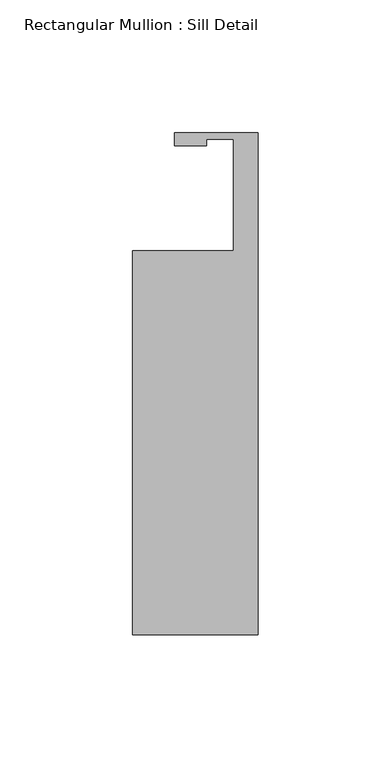
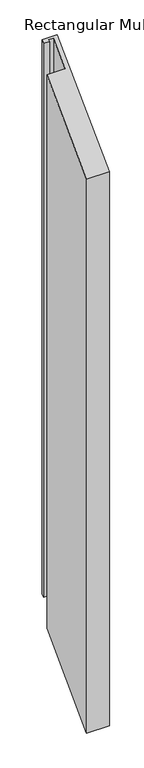
"""IFC4 building model written with IfcOpenShell, lengths in millimetres: member geometry, Rectangular Mullion : Sill Detail."""

from ifc_helpers import new_model, si_unit, origin, place, context, project, spatial, faceted_brep, source, transform, mapped, element, save


def rectangular_mullion_sill_detail_5fd4e4be(model_context):
    return source(origin(), model_context, "Body", "Brep", [
        faceted_brep([(0.0, 25.3938484, 23.8063484), (0.0, -163.9062, -165.4937), (0.0, -163.9062, -1394.6860164), (0.0, 25.3938484, -1205.385968), (-31.548507, 25.3938484, 23.8063484), (-31.548507, 25.3938484, -1205.385968), (-31.548507, 20.5040579, 18.9165579), (-31.548507, 20.5040579, -1210.2757584), (-19.4611625, 20.5040579, 18.9165579), (-19.4611625, 20.5040579, -1210.2757584), (-19.4611625, 22.86, 21.2725), (-19.4611625, 22.86, -1207.9198164), (-9.3265625, 22.86, 21.2725), (-9.3265625, 22.86, -1207.9198164), (-9.3265625, -19.05, -20.6375), (-9.3265625, -19.05, -1249.8298164), (-47.4265625, -19.05, -20.6375), (-47.4265625, -19.05, -1249.8298164), (-47.4265625, -163.9062, -165.4937), (-47.4265625, -163.9062, -1394.6860164)], [[[0, 1, 2, 3]], [[4, 0, 3, 5]], [[6, 4, 5, 7]], [[8, 6, 7, 9]], [[10, 8, 9, 11]], [[12, 10, 11, 13]], [[14, 12, 13, 15]], [[16, 14, 15, 17]], [[18, 16, 17, 19]], [[1, 18, 19, 2]], [[1, 0, 4, 6, 8, 10, 12, 14, 16, 18]], [[2, 19, 17, 15, 13, 11, 9, 7, 5, 3]]]),
    ])


if __name__ == "__main__":
    model = new_model("IFC4")
    model_context = context("Model", 3, world=origin())
    ifc_project = project(units=[si_unit("LENGTHUNIT", "METRE", prefix="MILLI")], contexts=[model_context])
    site = spatial("IfcSite", under=ifc_project)
    building = spatial("IfcBuilding", under=site)
    placement = place(None, origin())
    rectangular_mullion_sill_detail_shape = rectangular_mullion_sill_detail_5fd4e4be(model_context)
    element("IfcMember", 1, ObjectType="Rectangular Mullion : Sill Detail", at=placement, inside=building, context=model_context, shape_type="MappedRepresentation", body=[
        mapped(rectangular_mullion_sill_detail_shape, transform((0.0, 0.0, 0.0), x_axis=(1.0, 0.0, 0.0), y_axis=(0.0, 1.0, 0.0), z_axis=(0.0, 0.0, 1.0))),
    ])
    save(model, "model.ifc")
